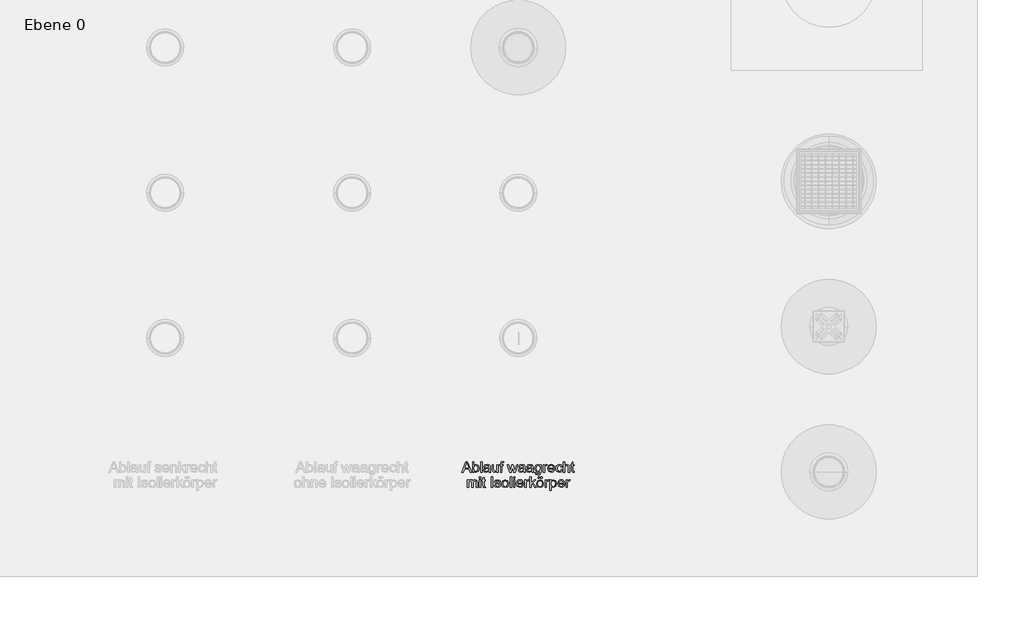
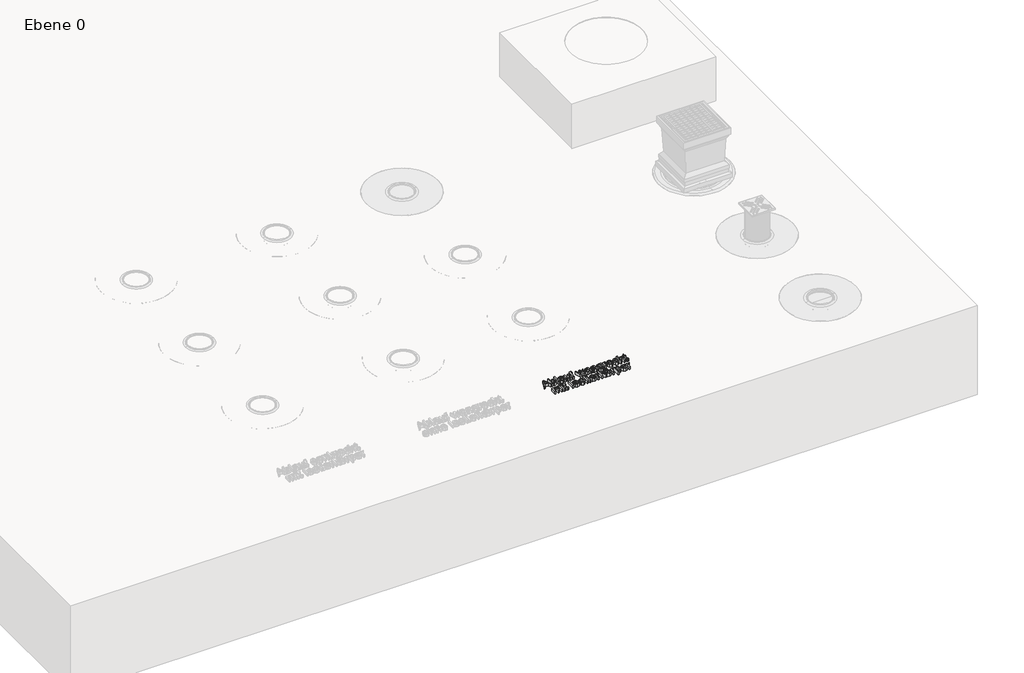
# One storey, part 5 of 12: 1 proxy.
"""IFC4 building model written with IfcOpenShell, lengths in millimetres."""

from ifc_helpers import new_model, si_unit, origin, origin_with_axes, place, context, project, spatial, polyline, outline, extrude, element, save

model = new_model("IFC4")

# Units and contexts
model_context = context("Model", 3, world=origin())
ifc_project = project(units=[si_unit("LENGTHUNIT", "METRE", prefix="MILLI")], contexts=[model_context])

# Site, building, storey
site = spatial("IfcSite", under=ifc_project)
building = spatial("IfcBuilding", under=site)
storey = spatial("IfcBuildingStorey", under=building, Name="Ebene 0", Elevation=0.0)

# Proxy
placement = place(None, origin())
element("IfcBuildingElementProxy", 1, Name="100mm ACO", ObjectType="100mm ACO", at=placement, inside=storey, context=model_context, shape_type="SweptSolid", body=[
    extrude(outline(polyline([(-26143.403997, 17214.466207), (-26150.3453742, 17214.466207), (-26156.3699658, 17229.3676122), (-26177.7034229, 17229.3676122), (-26183.49518, 17214.466207), (-26190.4365572, 17214.466207), (-26170.893015, 17264.7584496), (-26163.7624598, 17264.7584496), (-26143.403997, 17214.466207)]), holes=[polyline([(-26158.6401017, 17234.9556392), (-26165.8943503, 17253.3932177), (-26167.385946, 17259.2577356), (-26169.7288427, 17249.915253), (-26175.535152, 17234.9556392), (-26158.6401017, 17234.9556392)])]), origin_with_axes(), (0.0, 0.0, 1.0), 20.0),
    extrude(outline(polyline([(-26132.3734646, 17247.1940003), (-26122.5944174, 17251.71972), (-26111.4838482, 17246.597362), (-26107.3146562, 17233.2093807), (-26111.8985845, 17218.6062946), (-26122.6235217, 17213.5348691), (-26132.3298081, 17218.5117056), (-26132.4607775, 17214.466207), (-26138.9801423, 17214.466207), (-26138.9801423, 17264.7584496), (-26132.4607775, 17264.7584496), (-26132.3734646, 17247.1940003)]), holes=[polyline([(-26123.2347122, 17218.1915583), (-26116.489789, 17221.9969464), (-26113.834021, 17232.6855032), (-26116.2787828, 17243.184882), (-26123.030982, 17247.0630309), (-26129.8704942, 17243.0611887), (-26132.4607775, 17232.9328898), (-26131.3839181, 17224.4053278), (-26128.1387879, 17220.0324057), (-26123.2347122, 17218.1915583)])]), origin_with_axes(), (0.0, 0.0, 1.0), 20.0),
    extrude(outline(polyline([(-26093.3445888, 17214.466207), (-26099.8639536, 17214.466207), (-26099.8639536, 17264.7584496), (-26093.3445888, 17264.7584496), (-26093.3445888, 17214.466207)])), origin_with_axes(), (0.0, 0.0, 1.0), 20.0),
    extrude(outline(polyline([(-26052.3657244, 17214.466207), (-26058.8850892, 17214.466207), (-26060.7477648, 17218.8609573), (-26073.8010466, 17213.5348691), (-26082.656032, 17216.4452998), (-26085.8938862, 17224.1288369), (-26082.7215167, 17231.6741285), (-26071.7055364, 17235.5959339), (-26066.0010923, 17236.4690631), (-26060.7477648, 17237.7496526), (-26060.9151146, 17241.7878752), (-26061.8901089, 17244.2399131), (-26064.4876683, 17246.2844907), (-26069.3044311, 17247.0630309), (-26075.3799552, 17245.4841222), (-26078.4431835, 17239.6123283), (-26084.9625483, 17240.4126967), (-26079.818362, 17248.8820501), (-26068.4167497, 17251.71972), (-26058.7322916, 17249.7770075), (-26054.9341795, 17245.0912141), (-26054.2284, 17238.0261436), (-26054.2284, 17229.7168639), (-26053.9519091, 17219.5303564), (-26052.3657244, 17214.466207)]), holes=[polyline([(-26060.7477648, 17230.7646189), (-26060.7477648, 17233.0929635), (-26072.4549724, 17230.4153672), (-26077.6446341, 17228.3744277), (-26079.3745214, 17224.230702), (-26077.5118457, 17219.8941602), (-26072.142101, 17218.1915583), (-26064.1893491, 17221.0437804), (-26060.7477648, 17230.7646189)])]), origin_with_axes(), (0.0, 0.0, 1.0), 20.0),
    extrude(outline(polyline([(-26015.1122113, 17214.466207), (-26020.7002383, 17214.466207), (-26020.7002383, 17219.7486387), (-26025.8517006, 17215.0883115), (-26032.3710654, 17213.5348691), (-26039.4725163, 17215.3029558), (-26043.8236102, 17220.1706512), (-26044.9150218, 17228.2179921), (-26044.9150218, 17250.7883822), (-26038.395657, 17250.7883822), (-26038.395657, 17230.1825328), (-26037.9445402, 17223.095634), (-26035.5870913, 17219.5740129), (-26031.0468194, 17218.1915583), (-26024.6365958, 17220.6654244), (-26021.6315761, 17230.9101405), (-26021.6315761, 17250.7883822), (-26015.1122113, 17250.7883822), (-26015.1122113, 17214.466207)])), origin_with_axes(), (0.0, 0.0, 1.0), 20.0),
    extrude(outline(polyline([(-25989.0347521, 17265.2095664), (-25989.8351206, 17261.0330983), (-25993.0074901, 17261.0330983), (-25996.1798595, 17259.963515), (-25997.4167926, 17254.6738072), (-25997.4167926, 17250.7883822), (-25991.8287656, 17250.7883822), (-25991.8287656, 17246.1316931), (-25997.4167926, 17246.1316931), (-25997.4167926, 17214.466207), (-26003.9361574, 17214.466207), (-26003.9361574, 17246.1316931), (-26009.5241843, 17246.1316931), (-26009.5241843, 17250.7883822), (-26003.9361574, 17250.7883822), (-26003.9361574, 17254.7756723), (-26003.4486602, 17259.7961653), (-26000.8802051, 17263.8707683), (-25994.4627054, 17265.6897874), (-25989.0347521, 17265.2095664)])), origin_with_axes(), (0.0, 0.0, 1.0), 20.0),
    extrude(outline(polyline([(-25921.7455941, 17250.7883822), (-25933.9111945, 17214.466207), (-25940.0813076, 17214.466207), (-25945.3637393, 17236.2944373), (-25946.0258623, 17239.2412484), (-25946.658881, 17242.4645504), (-25953.0763807, 17214.466207), (-25959.2464938, 17214.466207), (-25971.5721679, 17250.7883822), (-25965.7658586, 17250.7883822), (-25956.9035971, 17222.0042225), (-25955.8412899, 17226.9082982), (-25950.2823672, 17250.7883822), (-25942.9917383, 17250.7883822), (-25938.5824358, 17231.7396132), (-25936.5305821, 17222.7900388), (-25927.5664556, 17250.7883822), (-25921.7455941, 17250.7883822)])), origin_with_axes(), (0.0, 0.0, 1.0), 20.0),
    extrude(outline(polyline([(-25884.7249155, 17214.466207), (-25891.2442803, 17214.466207), (-25893.106956, 17218.8609573), (-25906.1602377, 17213.5348691), (-25915.0152231, 17216.4452998), (-25918.2530773, 17224.1288369), (-25915.0807078, 17231.6741285), (-25904.0647276, 17235.5959339), (-25898.3602834, 17236.4690631), (-25893.106956, 17237.7496526), (-25893.2743057, 17241.7878752), (-25894.2493, 17244.2399131), (-25896.8468594, 17246.2844907), (-25901.6636222, 17247.0630309), (-25907.7391463, 17245.4841222), (-25910.8023747, 17239.6123283), (-25917.3217395, 17240.4126967), (-25912.1775532, 17248.8820501), (-25900.7759409, 17251.71972), (-25891.0914827, 17249.7770075), (-25887.2933706, 17245.0912141), (-25886.5875912, 17238.0261436), (-25886.5875912, 17229.7168639), (-25886.3111002, 17219.5303564), (-25884.7249155, 17214.466207)]), holes=[polyline([(-25893.106956, 17230.7646189), (-25893.106956, 17233.0929635), (-25904.8141635, 17230.4153672), (-25910.0038252, 17228.3744277), (-25911.7337125, 17224.230702), (-25909.8710368, 17219.8941602), (-25904.5012922, 17218.1915583), (-25896.5485403, 17221.0437804), (-25893.106956, 17230.7646189)])]), origin_with_axes(), (0.0, 0.0, 1.0), 20.0),
    extrude(outline(polyline([(-25845.6087268, 17214.466207), (-25852.1280916, 17214.466207), (-25853.9907672, 17218.8609573), (-25867.044049, 17213.5348691), (-25875.8990344, 17216.4452998), (-25879.1368886, 17224.1288369), (-25875.9645191, 17231.6741285), (-25864.9485388, 17235.5959339), (-25859.2440947, 17236.4690631), (-25853.9907672, 17237.7496526), (-25854.158117, 17241.7878752), (-25855.1331113, 17244.2399131), (-25857.7306707, 17246.2844907), (-25862.5474335, 17247.0630309), (-25868.6229576, 17245.4841222), (-25871.6861859, 17239.6123283), (-25878.2055507, 17240.4126967), (-25873.0613644, 17248.8820501), (-25861.6597521, 17251.71972), (-25851.975294, 17249.7770075), (-25848.1771819, 17245.0912141), (-25847.4714024, 17238.0261436), (-25847.4714024, 17229.7168639), (-25847.1949115, 17219.5303564), (-25845.6087268, 17214.466207)]), holes=[polyline([(-25853.9907672, 17230.7646189), (-25853.9907672, 17233.0929635), (-25865.6979747, 17230.4153672), (-25870.8876365, 17228.3744277), (-25872.6175238, 17224.230702), (-25870.7548481, 17219.8941602), (-25865.3851034, 17218.1915583), (-25857.4323515, 17221.0437804), (-25853.9907672, 17230.7646189)])]), origin_with_axes(), (0.0, 0.0, 1.0), 20.0),
    extrude(outline(polyline([(-25808.3552137, 17219.8213995), (-25809.8904659, 17208.4343393), (-25815.3547996, 17202.5843736), (-25824.7409386, 17200.4961396), (-25834.9929308, 17203.3265334), (-25839.089362, 17212.6035313), (-25832.5699972, 17211.5703284), (-25830.2707569, 17206.7608417), (-25824.6390735, 17205.1528287), (-25817.9450829, 17207.0082283), (-25815.3475235, 17211.5266719), (-25814.8745785, 17218.8755095), (-25824.7263864, 17214.466207), (-25835.8296796, 17219.7195344), (-25840.0206998, 17232.9765463), (-25836.0334097, 17246.3645275), (-25825.0028774, 17251.71972), (-25815.0055479, 17246.9320615), (-25814.8745785, 17250.7883822), (-25808.3552137, 17250.7883822), (-25808.3552137, 17219.8213995)]), holes=[polyline([(-25823.7513921, 17219.1228961), (-25816.9264321, 17222.3534742), (-25813.9432407, 17233.1802764), (-25816.7881867, 17243.4759251), (-25823.8241529, 17247.0630309), (-25830.8019105, 17243.3886121), (-25833.501335, 17233.325798), (-25830.6709412, 17222.5281), (-25823.7513921, 17219.1228961)])]), origin_with_axes(), (0.0, 0.0, 1.0), 20.0),
    extrude(outline(polyline([(-25779.4837411, 17250.293609), (-25781.5210426, 17246.1316931), (-25785.7993757, 17247.0630309), (-25790.8198687, 17243.7887964), (-25792.5224706, 17234.6209396), (-25792.5224706, 17214.466207), (-25799.0418354, 17214.466207), (-25799.0418354, 17250.7883822), (-25793.4538085, 17250.7883822), (-25793.4538085, 17245.4040854), (-25785.7266149, 17251.71972), (-25779.4837411, 17250.293609)])), origin_with_axes(), (0.0, 0.0, 1.0), 20.0),
    extrude(outline(polyline([(-25744.0929036, 17231.2302878), (-25771.1017006, 17231.2302878), (-25767.6892206, 17221.5385536), (-25760.1148247, 17218.1915583), (-25754.2430307, 17220.0469578), (-25750.6122684, 17225.6422609), (-25744.0929036, 17224.8855489), (-25749.7827957, 17216.4744042), (-25760.1148247, 17213.5348691), (-25772.9862045, 17218.5771903), (-25777.6210654, 17232.3508037), (-25773.1535543, 17246.3499754), (-25767.7728955, 17250.3772839), (-25760.5659414, 17251.71972), (-25752.9115087, 17249.9807377), (-25746.6613587, 17244.0580112), (-25744.0929036, 17231.2302878)]), holes=[polyline([(-25750.6122684, 17235.886977), (-25754.0465767, 17244.4436433), (-25760.7260151, 17247.0630309), (-25767.8565704, 17243.94887), (-25771.1017006, 17235.886977), (-25750.6122684, 17235.886977)])]), origin_with_axes(), (0.0, 0.0, 1.0), 20.0),
    extrude(outline(polyline([(-25705.9080527, 17226.7627767), (-25711.5397361, 17216.7217908), (-25721.5079613, 17213.5348691), (-25734.0664698, 17218.7445401), (-25738.5048767, 17232.5545338), (-25735.972802, 17243.9634222), (-25729.6353391, 17249.9807377), (-25721.6389307, 17251.71972), (-25711.8526074, 17248.874774), (-25706.8393905, 17240.5145618), (-25713.3587553, 17239.6123283), (-25716.3273947, 17245.1930792), (-25721.5661699, 17247.0630309), (-25729.3370199, 17243.2721949), (-25731.9855119, 17232.6855032), (-25729.3297439, 17221.9678421), (-25721.668035, 17218.1915583), (-25715.3305721, 17220.5199028), (-25712.4274175, 17227.5049365), (-25705.9080527, 17226.7627767)])), origin_with_axes(), (0.0, 0.0, 1.0), 20.0),
    extrude(outline(polyline([(-25672.3798909, 17214.466207), (-25678.8992557, 17214.466207), (-25678.8992557, 17237.9533828), (-25680.7546553, 17244.7856189), (-25686.2917497, 17247.0630309), (-25692.7965624, 17244.3781586), (-25695.6633366, 17234.7955655), (-25695.6633366, 17214.466207), (-25702.1827014, 17214.466207), (-25702.1827014, 17264.7584496), (-25695.6633366, 17264.7584496), (-25695.6633366, 17246.7428835), (-25684.8219822, 17251.71972), (-25678.1425438, 17250.2790568), (-25673.6677565, 17245.8479261), (-25672.3798909, 17237.5459225), (-25672.3798909, 17214.466207)])), origin_with_axes(), (0.0, 0.0, 1.0), 20.0),
    extrude(outline(polyline([(-25649.0964453, 17213.9568816), (-25653.6658215, 17213.5348691), (-25659.493959, 17214.9828084), (-25661.7277146, 17218.6572272), (-25662.1351749, 17224.8564446), (-25662.1351749, 17246.1316931), (-25666.791864, 17246.1316931), (-25666.791864, 17250.7883822), (-25662.1351749, 17250.7883822), (-25662.1351749, 17260.0144476), (-25655.6158101, 17263.8271118), (-25655.6158101, 17250.7883822), (-25650.0277831, 17250.7883822), (-25650.0277831, 17246.1316931), (-25655.6158101, 17246.1316931), (-25655.6158101, 17223.5467508), (-25655.0919325, 17219.4139392), (-25652.4288884, 17218.1915583), (-25649.8968137, 17218.1915583), (-25649.0964453, 17213.9568816)])), origin_with_axes(), (0.0, 0.0, 1.0), 20.0),
    extrude(outline(polyline([(-26115.2310277, 17141.1827613), (-26121.7503925, 17141.1827613), (-26121.7503925, 17164.6699371), (-26122.0778159, 17169.1010679), (-26123.7804179, 17172.3607503), (-26128.0660271, 17173.7795852), (-26134.1051709, 17171.1893019), (-26136.6517977, 17162.7781572), (-26136.6517977, 17141.1827613), (-26143.1711625, 17141.1827613), (-26143.1711625, 17165.3684405), (-26144.7718994, 17171.9896703), (-26149.3121713, 17173.7795852), (-26155.6132538, 17170.9782957), (-26158.0725677, 17160.493469), (-26158.0725677, 17141.1827613), (-26164.5919325, 17141.1827613), (-26164.5919325, 17177.5049365), (-26159.0039056, 17177.5049365), (-26159.0039056, 17172.5281), (-26154.2853698, 17176.9592308), (-26147.9733732, 17178.4362744), (-26141.3448672, 17176.8428136), (-26137.5831356, 17172.047879), (-26132.795477, 17176.8391755), (-26126.4652902, 17178.4362744), (-26118.0395933, 17175.3803221), (-26115.2310277, 17166.2124654), (-26115.2310277, 17141.1827613)])), origin_with_axes(), (0.0, 0.0, 1.0), 20.0),
    extrude(outline(polyline([(-26099.3982846, 17141.1827613), (-26105.9176494, 17141.1827613), (-26105.9176494, 17177.5049365), (-26099.3982846, 17177.5049365), (-26099.3982846, 17141.1827613)])), origin_with_axes(), (0.0, 0.0, 1.0), 20.0),
    extrude(outline(polyline([(-26099.3982846, 17184.9556392), (-26105.9176494, 17184.9556392), (-26105.9176494, 17191.4750039), (-26099.3982846, 17191.4750039), (-26099.3982846, 17184.9556392)])), origin_with_axes(), (0.0, 0.0, 1.0), 20.0),
    extrude(outline(polyline([(-26076.114839, 17140.6734359), (-26080.6842152, 17140.2514235), (-26086.5123527, 17141.6993627), (-26088.7461082, 17145.3737815), (-26089.1535685, 17151.5729989), (-26089.1535685, 17172.8482474), (-26093.8102577, 17172.8482474), (-26093.8102577, 17177.5049365), (-26089.1535685, 17177.5049365), (-26089.1535685, 17186.7310019), (-26082.6342038, 17190.5436661), (-26082.6342038, 17177.5049365), (-26077.0461768, 17177.5049365), (-26077.0461768, 17172.8482474), (-26082.6342038, 17172.8482474), (-26082.6342038, 17150.2633051), (-26082.1103262, 17146.1304935), (-26079.4472821, 17144.9081126), (-26076.9152074, 17144.9081126), (-26076.114839, 17140.6734359)])), origin_with_axes(), (0.0, 0.0, 1.0), 20.0),
    extrude(outline(polyline([(-26042.5866772, 17141.1827613), (-26049.106042, 17141.1827613), (-26049.106042, 17191.4750039), (-26042.5866772, 17191.4750039), (-26042.5866772, 17141.1827613)])), origin_with_axes(), (0.0, 0.0, 1.0), 20.0),
    extrude(outline(polyline([(-26010.9211911, 17167.2602204), (-26013.3295725, 17172.149744), (-26018.8957712, 17173.7795852), (-26024.5856633, 17172.3825785), (-26026.7539341, 17168.3225277), (-26025.320547, 17164.7281457), (-26018.5610717, 17162.7781572), (-26009.6478776, 17160.682647), (-26005.1003297, 17157.5030015), (-26003.4704885, 17151.8058334), (-26007.5159871, 17143.5911427), (-26018.3282372, 17140.2514235), (-26029.3369414, 17143.0599891), (-26034.2046368, 17151.4711338), (-26027.685272, 17152.3588152), (-26024.8694303, 17146.7635122), (-26018.3282372, 17144.9081126), (-26012.143572, 17146.8362729), (-26009.9898532, 17151.5293425), (-26010.9575715, 17154.5343622), (-26013.3732289, 17156.2296881), (-26020.205465, 17157.6849034), (-26030.7339481, 17161.6139849), (-26033.2732989, 17167.9441717), (-26029.5115672, 17175.4749111), (-26019.3905444, 17178.4362744), (-26008.8911657, 17175.845991), (-26004.4018263, 17168.0896932), (-26010.9211911, 17167.2602204)])), origin_with_axes(), (0.0, 0.0, 1.0), 20.0),
    extrude(outline(polyline([(-25982.0642706, 17178.4362744), (-25970.0514678, 17173.6195115), (-25965.2856376, 17159.9259351), (-25966.5753222, 17150.7362501), (-25970.444376, 17144.7043824), (-25982.0642706, 17140.2514235), (-25993.8296867, 17144.8280757), (-25997.5677712, 17150.7453452), (-25998.8137993, 17159.3438489), (-25993.9970365, 17173.7068245), (-25982.0642706, 17178.4362744)]), holes=[polyline([(-25982.0642706, 17144.9081126), (-25974.4171139, 17148.9463352), (-25971.8050023, 17159.5766834), (-25974.7590895, 17170.1997555), (-25982.0642706, 17173.7795852), (-25989.4203842, 17170.1488229), (-25992.2944345, 17159.3292968), (-25989.3694517, 17148.5388749), (-25982.0642706, 17144.9081126)])]), origin_with_axes(), (0.0, 0.0, 1.0), 20.0),
    extrude(outline(polyline([(-25951.3155701, 17141.1827613), (-25957.8349349, 17141.1827613), (-25957.8349349, 17191.4750039), (-25951.3155701, 17191.4750039), (-25951.3155701, 17141.1827613)])), origin_with_axes(), (0.0, 0.0, 1.0), 20.0),
    extrude(outline(polyline([(-25935.4828271, 17141.1827613), (-25942.0021919, 17141.1827613), (-25942.0021919, 17177.5049365), (-25935.4828271, 17177.5049365), (-25935.4828271, 17141.1827613)])), origin_with_axes(), (0.0, 0.0, 1.0), 20.0),
    extrude(outline(polyline([(-25935.4828271, 17184.9556392), (-25942.0021919, 17184.9556392), (-25942.0021919, 17191.4750039), (-25935.4828271, 17191.4750039), (-25935.4828271, 17184.9556392)])), origin_with_axes(), (0.0, 0.0, 1.0), 20.0),
    extrude(outline(polyline([(-25894.5039627, 17157.9468422), (-25921.5127597, 17157.9468422), (-25918.1002797, 17148.2551079), (-25910.5258838, 17144.9081126), (-25904.6540898, 17146.7635122), (-25901.0233275, 17152.3588152), (-25894.5039627, 17151.6021032), (-25900.1938547, 17143.1909585), (-25910.5258838, 17140.2514235), (-25923.3972636, 17145.2937447), (-25928.0321245, 17159.067358), (-25923.5646133, 17173.0665297), (-25918.1839546, 17177.0938382), (-25910.9770005, 17178.4362744), (-25903.3225677, 17176.697292), (-25897.0724178, 17170.7745655), (-25894.5039627, 17157.9468422)]), holes=[polyline([(-25901.0233275, 17162.6035313), (-25904.4576357, 17171.1601976), (-25911.1370742, 17173.7795852), (-25918.2676294, 17170.6654244), (-25921.5127597, 17162.6035313), (-25901.0233275, 17162.6035313)])]), origin_with_axes(), (0.0, 0.0, 1.0), 20.0),
    extrude(outline(polyline([(-25867.4951657, 17177.0101633), (-25869.5324672, 17172.8482474), (-25873.8108004, 17173.7795852), (-25878.8312933, 17170.5053507), (-25880.5338953, 17161.3374939), (-25880.5338953, 17141.1827613), (-25887.0532601, 17141.1827613), (-25887.0532601, 17177.5049365), (-25881.4652331, 17177.5049365), (-25881.4652331, 17172.1206397), (-25873.7380396, 17178.4362744), (-25867.4951657, 17177.0101633)])), origin_with_axes(), (0.0, 0.0, 1.0), 20.0),
    extrude(outline(polyline([(-25833.0356661, 17141.1827613), (-25839.5113744, 17141.1827613), (-25852.6228648, 17160.2751867), (-25857.2504496, 17156.0841665), (-25857.2504496, 17141.1827613), (-25863.7698144, 17141.1827613), (-25863.7698144, 17191.4750039), (-25857.2504496, 17191.4750039), (-25857.2504496, 17163.3165868), (-25841.6796453, 17177.5049365), (-25833.7341695, 17177.5049365), (-25848.664679, 17163.9132251), (-25833.0356661, 17141.1827613)])), origin_with_axes(), (0.0, 0.0, 1.0), 20.0),
    extrude(outline(polyline([(-25814.4234617, 17178.4362744), (-25802.410659, 17173.6195115), (-25797.6448287, 17159.9259351), (-25798.9345133, 17150.7362501), (-25802.8035671, 17144.7043824), (-25814.4234617, 17140.2514235), (-25826.1888779, 17144.8280757), (-25829.9269623, 17150.7453452), (-25831.1729905, 17159.3438489), (-25826.3562276, 17173.7068245), (-25814.4234617, 17178.4362744)]), holes=[polyline([(-25814.4234617, 17144.9081126), (-25806.776305, 17148.9463352), (-25804.1641935, 17159.5766834), (-25807.1182806, 17170.1997555), (-25814.4234617, 17173.7795852), (-25821.7795753, 17170.1488229), (-25824.6536257, 17159.3292968), (-25821.7286428, 17148.5388749), (-25814.4234617, 17144.9081126)])]), origin_with_axes(), (0.0, 0.0, 1.0), 20.0),
    extrude(outline(polyline([(-25804.1641935, 17184.0243013), (-25810.6835583, 17184.0243013), (-25810.6835583, 17191.4750039), (-25804.1641935, 17191.4750039), (-25804.1641935, 17184.0243013)])), origin_with_axes(), (0.0, 0.0, 1.0), 20.0),
    extrude(outline(polyline([(-25817.2029231, 17184.0243013), (-25823.7222878, 17184.0243013), (-25823.7222878, 17191.4750039), (-25817.2029231, 17191.4750039), (-25817.2029231, 17184.0243013)])), origin_with_axes(), (0.0, 0.0, 1.0), 20.0),
    extrude(outline(polyline([(-25770.6360317, 17177.0101633), (-25772.6733332, 17172.8482474), (-25776.9516663, 17173.7795852), (-25781.9721593, 17170.5053507), (-25783.6747613, 17161.3374939), (-25783.6747613, 17141.1827613), (-25790.1941261, 17141.1827613), (-25790.1941261, 17177.5049365), (-25784.6060991, 17177.5049365), (-25784.6060991, 17172.1206397), (-25776.8789056, 17178.4362744), (-25770.6360317, 17177.0101633)])), origin_with_axes(), (0.0, 0.0, 1.0), 20.0),
    extrude(outline(polyline([(-25760.3258309, 17173.1247383), (-25750.2048081, 17178.4362744), (-25739.2615887, 17173.2266034), (-25735.2451943, 17159.6494441), (-25739.7854662, 17145.4974748), (-25750.9324158, 17140.2514235), (-25760.2166898, 17144.5297566), (-25760.3913156, 17127.2126939), (-25766.9106804, 17127.2126939), (-25766.9106804, 17177.5049365), (-25760.3913156, 17177.5049365), (-25760.3258309, 17173.1247383)]), holes=[polyline([(-25751.6454713, 17144.9081126), (-25744.5658486, 17148.5825314), (-25741.7645591, 17159.5330269), (-25744.4639835, 17170.0906143), (-25751.3689804, 17173.7795852), (-25758.5213639, 17169.6686019), (-25761.3226534, 17159.0091494), (-25758.6377811, 17148.4952184), (-25751.6454713, 17144.9081126)])]), origin_with_axes(), (0.0, 0.0, 1.0), 20.0),
    extrude(outline(polyline([(-25696.1290055, 17157.9468422), (-25723.1378025, 17157.9468422), (-25719.7253225, 17148.2551079), (-25712.1509266, 17144.9081126), (-25706.2791326, 17146.7635122), (-25702.6483703, 17152.3588152), (-25696.1290055, 17151.6021032), (-25701.8188976, 17143.1909585), (-25712.1509266, 17140.2514235), (-25725.0223064, 17145.2937447), (-25729.6571673, 17159.067358), (-25725.1896562, 17173.0665297), (-25719.8089974, 17177.0938382), (-25712.6020434, 17178.4362744), (-25704.9476106, 17176.697292), (-25698.6974606, 17170.7745655), (-25696.1290055, 17157.9468422)]), holes=[polyline([(-25702.6483703, 17162.6035313), (-25706.0826786, 17171.1601976), (-25712.762117, 17173.7795852), (-25719.8926723, 17170.6654244), (-25723.1378025, 17162.6035313), (-25702.6483703, 17162.6035313)])]), origin_with_axes(), (0.0, 0.0, 1.0), 20.0),
    extrude(outline(polyline([(-25669.1202086, 17177.0101633), (-25671.1575101, 17172.8482474), (-25675.4358432, 17173.7795852), (-25680.4563362, 17170.5053507), (-25682.1589381, 17161.3374939), (-25682.1589381, 17141.1827613), (-25688.6783029, 17141.1827613), (-25688.6783029, 17177.5049365), (-25683.090276, 17177.5049365), (-25683.090276, 17172.1206397), (-25675.3630824, 17178.4362744), (-25669.1202086, 17177.0101633)])), origin_with_axes(), (0.0, 0.0, 1.0), 20.0),
])

save(model, "model.ifc")
